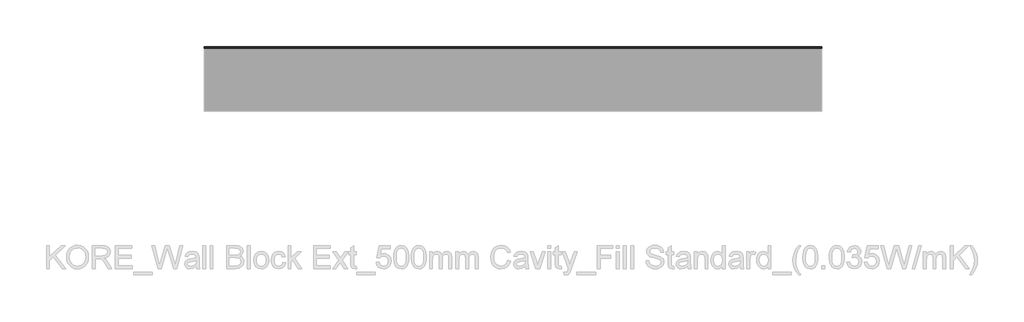
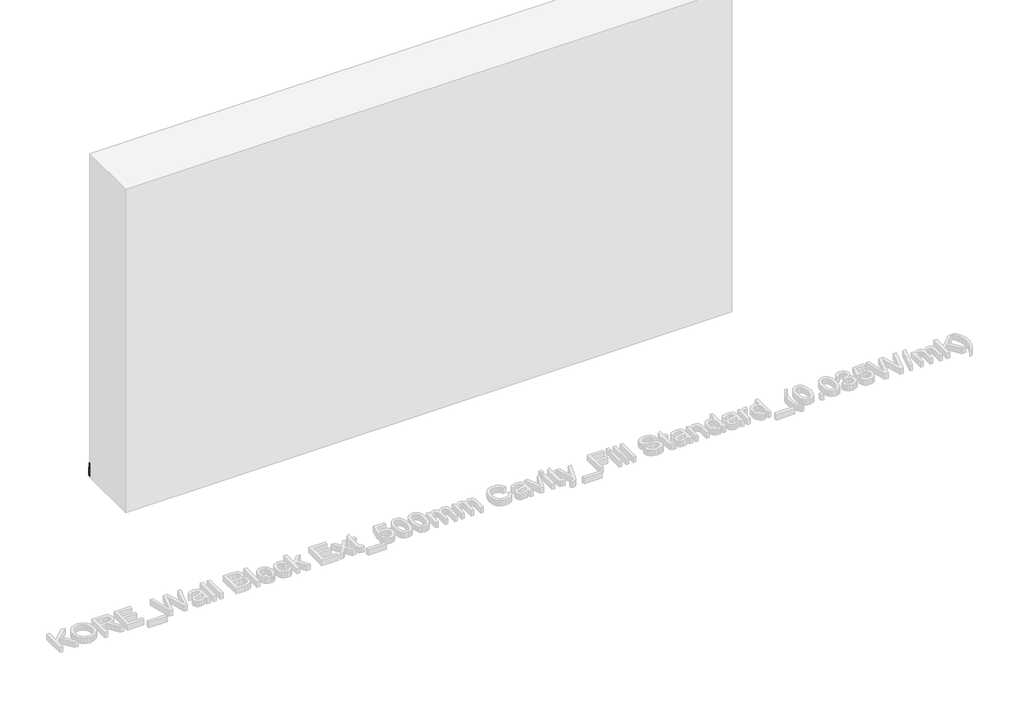
# One storey, part 22 of 60: 1 proxy.
"""IFC4 building model written with IfcOpenShell, lengths in millimetres."""

from ifc_helpers import new_model, si_unit, point, frame, frame_2d, origin, place, context, project, spatial, polyline, circle_curve, trimmed, segment, composite_curve, outline, extrude, element, save

model = new_model("IFC4")

# Units and contexts
model_context = context("Model", 3, world=origin())
ifc_project = project(units=[si_unit("LENGTHUNIT", "METRE", prefix="MILLI")], contexts=[model_context])

# Site, building, storey
site = spatial("IfcSite", under=ifc_project)
building = spatial("IfcBuilding", under=site)
storey = spatial("IfcBuildingStorey", under=building, Elevation=0.0)

# Proxy
placement = place(None, origin())
element("IfcBuildingElementProxy", 1, Name="Wall Sweeps", at=placement, inside=storey, context=model_context, shape_type="SweptSolid", body=[
    extrude(outline(composite_curve([segment(polyline([(265.4236863, 129.5), (274.4236863, 129.5), (274.4236863, 120.2473165)]), True, "CONTINUOUS"), segment(trimmed(circle_curve(frame_2d((264.8063342, 108.7361681)), 15.0), [point((274.4236863, 120.2473165))], [point((279.8063342, 108.7361681))], False, "CARTESIAN"), True, "CONTINUOUS"), segment(polyline([(279.8063342, 108.7361681), (279.8063342, 89.9145021), (283.4236863, 81.1071309), (283.4236863, 9.5), (265.4236863, 9.5), (265.4236863, 129.5)]), True, "CONTINUOUS")], self_intersect=False)), frame((39930.0129216, 0.0, 0.0), z_axis=(1.0, 0.0, 0.0), x_axis=(0.0, 1.0, 0.0)), (0.0, 0.0, 1.0), 5310.0),
])

save(model, "model.ifc")
